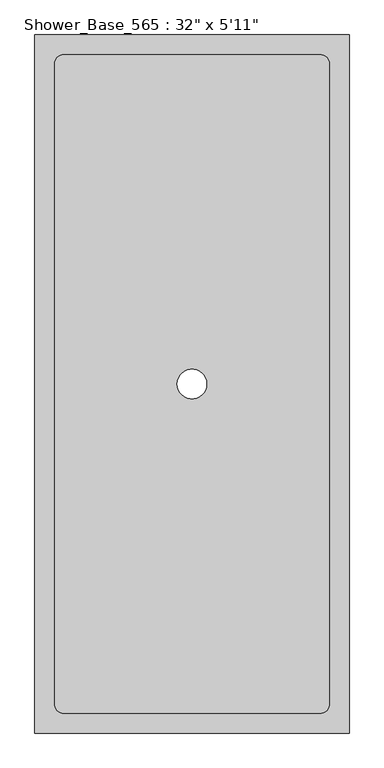
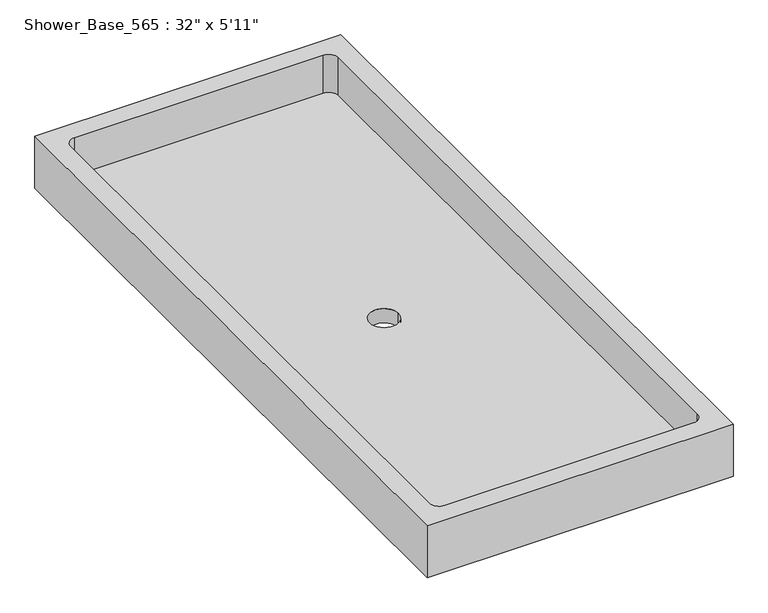
"""IFC4 building model written with IfcOpenShell, lengths in millimetres: flow terminal geometry."""

from ifc_helpers import new_model, si_unit, frame, origin, origin_with_axes, place, context, project, spatial, polyline, circle_curve, source, transform, mapped, element, save
from ifc_brep_helpers import plane_surface, revolved_surface, advanced_brep


def flow_terminal_670561d7(model_context):
    return source(origin(), model_context, "Body", "AdvancedBrep", [
        advanced_brep(
        [(406.4, 901.7, 146.05), (-406.4, 901.7, 146.05), (-406.4, -901.7, 146.05), (406.4, -901.7, 146.05), (355.6, -825.5, 146.05), (330.2, -850.9, 146.05), (-330.2, -850.9, 146.05), (-355.6, -825.5, 146.05), (-355.6, 825.5, 146.05), (-330.2, 850.9, 146.05), (330.2, 850.9, 146.05), (355.6, 825.5, 146.05), (406.4, 901.7, 0.0), (406.4, -901.7, 0.0), (-406.4, -901.7, 0.0), (-406.4, 901.7, 0.0), (-38.1, 0.0, 0.0), (38.1, 0.0, 0.0), (330.2, -850.9, 39.8652193), (355.6, -825.5, 39.8652193), (355.6, 825.5, 39.8652193), (330.2, 850.9, 39.8652193), (-330.2, 850.9, 39.8652193), (-355.6, 825.5, 39.8652193), (-355.6, -825.5, 39.8652193), (-330.2, -850.9, 39.8652193), (38.1, 0.0, 39.8652193), (-38.1, 0.0, 39.8652193)],
        [
            (0, 1),
            (1, 2),
            (2, 3),
            (3, 0),
            (4, 5, circle_curve(frame((330.2, -825.5, 146.05), z_axis=(0.0, 0.0, -1.0), x_axis=(1.0, 0.0, 0.0)), 25.4)),
            (5, 6),
            (6, 7, circle_curve(frame((-330.2, -825.5, 146.05), z_axis=(0.0, 0.0, -1.0), x_axis=(1.0, 0.0, 0.0)), 25.4)),
            (7, 8),
            (8, 9, circle_curve(frame((-330.2, 825.5, 146.05), z_axis=(0.0, 0.0, -1.0), x_axis=(1.0, 0.0, 0.0)), 25.4)),
            (9, 10),
            (10, 11, circle_curve(frame((330.2, 825.5, 146.05), z_axis=(0.0, 0.0, -1.0), x_axis=(1.0, 0.0, 0.0)), 25.4)),
            (11, 4),
            (12, 13),
            (13, 14),
            (14, 15),
            (15, 12),
            (16, 17, circle_curve(origin_with_axes(), 38.1)),
            (17, 16, circle_curve(origin_with_axes(), 38.1)),
            (0, 12),
            (15, 1),
            (14, 2),
            (13, 3),
            (18, 19, circle_curve(frame((330.2, -825.5, 39.8652193), z_axis=(0.0, 0.0, 1.0), x_axis=(1.0, 0.0, 0.0)), 25.4)),
            (19, 20),
            (20, 21, circle_curve(frame((330.2, 825.5, 39.8652193), z_axis=(0.0, 0.0, 1.0), x_axis=(1.0, 0.0, 0.0)), 25.4)),
            (21, 22),
            (22, 23, circle_curve(frame((-330.2, 825.5, 39.8652193), z_axis=(0.0, 0.0, 1.0), x_axis=(1.0, 0.0, 0.0)), 25.4)),
            (23, 24),
            (24, 25, circle_curve(frame((-330.2, -825.5, 39.8652193), z_axis=(0.0, 0.0, 1.0), x_axis=(1.0, 0.0, 0.0)), 25.4)),
            (25, 18),
            (26, 27, circle_curve(frame((0.0, 0.0, 39.8652193), z_axis=(0.0, 0.0, -1.0), x_axis=(1.0, 0.0, 0.0)), 38.1)),
            (27, 26, circle_curve(frame((0.0, 0.0, 39.8652193), z_axis=(0.0, 0.0, -1.0), x_axis=(1.0, 0.0, 0.0)), 38.1)),
            (18, 5),
            (4, 19),
            (11, 20),
            (10, 21),
            (9, 22),
            (8, 23),
            (7, 24),
            (6, 25),
            (16, 27),
            (26, 17),
        ],
        [
            plane_surface(frame((-406.4, 901.7, 146.05), z_axis=(0.0, 0.0, 1.0), x_axis=(-1.0, 0.0, 0.0))),
            plane_surface(frame((-406.4, 901.7, 0.0), z_axis=(0.0, 0.0, -1.0), x_axis=(1.0, 0.0, 0.0))),
            plane_surface(frame((406.4, 901.7, 146.05), z_axis=(0.0, 1.0, 0.0), x_axis=(0.0, 0.0, -1.0))),
            plane_surface(frame((-406.4, 901.7, 146.05), z_axis=(-1.0, 0.0, 0.0), x_axis=(0.0, 0.0, -1.0))),
            plane_surface(frame((-406.4, -901.7, 146.05), z_axis=(0.0, -1.0, 0.0), x_axis=(0.0, 0.0, -1.0))),
            plane_surface(frame((406.4, -901.7, 146.05), z_axis=(1.0, 0.0, 0.0), x_axis=(0.0, 0.0, -1.0))),
            plane_surface(frame((355.6, -825.5, 39.8652193), z_axis=(0.0, 0.0, 1.0), x_axis=(0.0, -1.0, 0.0))),
            revolved_surface(polyline([(355.59999999999997, -825.5, 146.05), (355.59999999999997, -825.5, 39.8652193)]), (330.2, -825.5, 39.8652193), (0.0, 0.0, 1.0)),
            plane_surface(frame((355.6, -825.5, 146.05), z_axis=(-1.0, 0.0, 0.0), x_axis=(0.0, 0.0, -1.0))),
            revolved_surface(polyline([(355.59999999999997, 825.5, 146.05), (355.59999999999997, 825.5, 39.8652193)]), (330.2, 825.5, 39.8652193), (0.0, 0.0, 1.0)),
            plane_surface(frame((330.2, 850.9, 146.05), z_axis=(0.0, -1.0, 0.0), x_axis=(0.0, 0.0, -1.0))),
            revolved_surface(polyline([(-304.8, 825.5, 146.05), (-304.8, 825.5, 39.8652193)]), (-330.2, 825.5, 39.8652193), (0.0, 0.0, 1.0)),
            plane_surface(frame((-355.6, 825.5, 146.05), z_axis=(1.0, 0.0, 0.0), x_axis=(0.0, 0.0, -1.0))),
            revolved_surface(polyline([(-304.8, -825.5, 146.05), (-304.8, -825.5, 39.8652193)]), (-330.2, -825.5, 39.8652193), (0.0, 0.0, 1.0)),
            plane_surface(frame((-330.2, -850.9, 146.05), z_axis=(0.0, 1.0, 0.0), x_axis=(0.0, 0.0, -1.0))),
            revolved_surface(polyline([(38.1, 0.0, 39.8652193), (38.1, 0.0, 0.0)]), (0.0, 0.0, 0.0), (0.0, 0.0, 1.0)),
        ],
        [
            (0, [[1, 2, 3, 4], [5, 6, 7, 8, 9, 10, 11, 12]]),
            (1, [[13, 14, 15, 16], [17, 18]]),
            (2, [[-1, 19, -16, 20]]),
            (3, [[-2, -20, -15, 21]]),
            (4, [[-3, -21, -14, 22]]),
            (5, [[-4, -22, -13, -19]]),
            (6, [[23, 24, 25, 26, 27, 28, 29, 30], [31, 32]]),
            (7, [[-23, 33, -5, 34]]),
            (8, [[-24, -34, -12, 35]]),
            (9, [[-25, -35, -11, 36]]),
            (10, [[-26, -36, -10, 37]]),
            (11, [[-27, -37, -9, 38]]),
            (12, [[-28, -38, -8, 39]]),
            (13, [[-29, -39, -7, 40]]),
            (14, [[-30, -40, -6, -33]]),
            (15, [[41, -31, 42, -17]]),
            (15, [[-41, -18, -42, -32]]),
        ],
    ),
    ])


if __name__ == "__main__":
    model = new_model("IFC4")
    model_context = context("Model", 3, world=origin())
    ifc_project = project(units=[si_unit("LENGTHUNIT", "METRE", prefix="MILLI")], contexts=[model_context])
    site = spatial("IfcSite", under=ifc_project)
    building = spatial("IfcBuilding", under=site)
    placement = place(None, origin())
    flow_terminal_shape = flow_terminal_670561d7(model_context)
    element("IfcFlowTerminal", 1, ObjectType="Shower_Base_565 : 32\" x 5'11\"", at=placement, inside=building, context=model_context, shape_type="MappedRepresentation", body=[
        mapped(flow_terminal_shape, transform((0.0, 0.0, 0.0), x_axis=(1.0, 0.0, 0.0), y_axis=(0.0, 1.0, 0.0), z_axis=(0.0, 0.0, 1.0))),
    ])
    save(model, "model.ifc")
